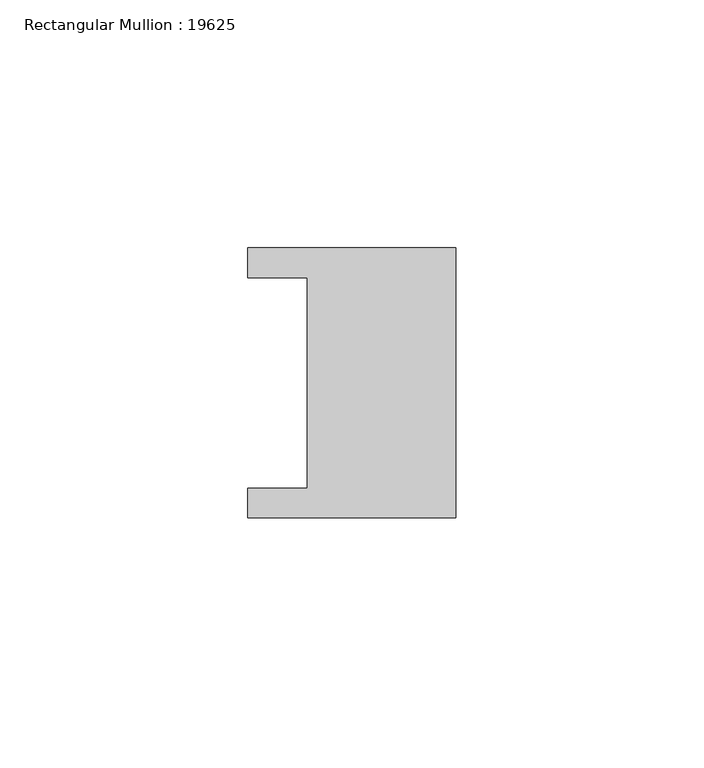
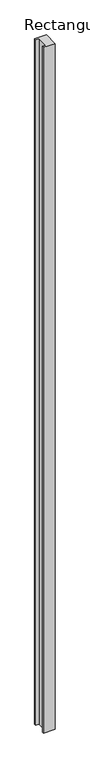
"""IFC4 building model written with IfcOpenShell, lengths in millimetres: member geometry, Rectangular Mullion : 19625."""

from ifc_helpers import new_model, si_unit, frame, origin, place, context, project, spatial, polyline, outline, extrude, source, transform, mapped, element, save


def rectangular_mullion_19625_17a6c0ef(model_context):
    return source(origin(), model_context, "Body", "SweptSolid", [
        extrude(outline(polyline([(2.0, 27.25), (2.0, -27.25), (-40.0, -27.25), (-40.0, -21.25), (-28.0, -21.25), (-28.0, 21.25), (-40.0, 21.25), (-40.0, 27.25), (2.0, 27.25)])), frame((0.0, 0.0, -2616.0), z_axis=(0.0, 0.0, 1.0), x_axis=(1.0, 0.0, 0.0)), (0.0, 0.0, 1.0), 2616.0),
    ])


if __name__ == "__main__":
    model = new_model("IFC4")
    model_context = context("Model", 3, world=origin())
    ifc_project = project(units=[si_unit("LENGTHUNIT", "METRE", prefix="MILLI")], contexts=[model_context])
    site = spatial("IfcSite", under=ifc_project)
    building = spatial("IfcBuilding", under=site)
    placement = place(None, origin())
    rectangular_mullion_19625_shape = rectangular_mullion_19625_17a6c0ef(model_context)
    element("IfcMember", 1, ObjectType="Rectangular Mullion : 19625", at=placement, inside=building, context=model_context, shape_type="MappedRepresentation", body=[
        mapped(rectangular_mullion_19625_shape, transform((0.0, 0.0, 0.0), x_axis=(1.0, 0.0, 0.0), y_axis=(0.0, 1.0, 0.0), z_axis=(0.0, 0.0, 1.0))),
    ])
    save(model, "model.ifc")
